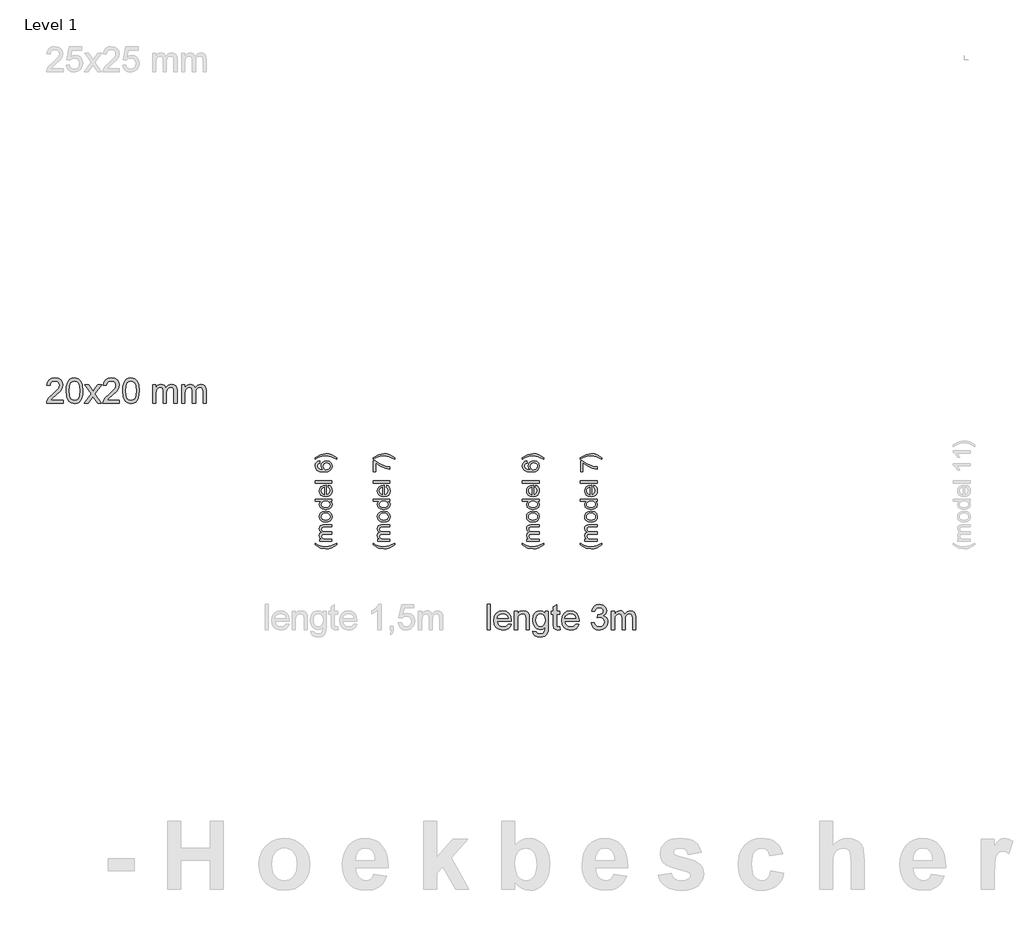
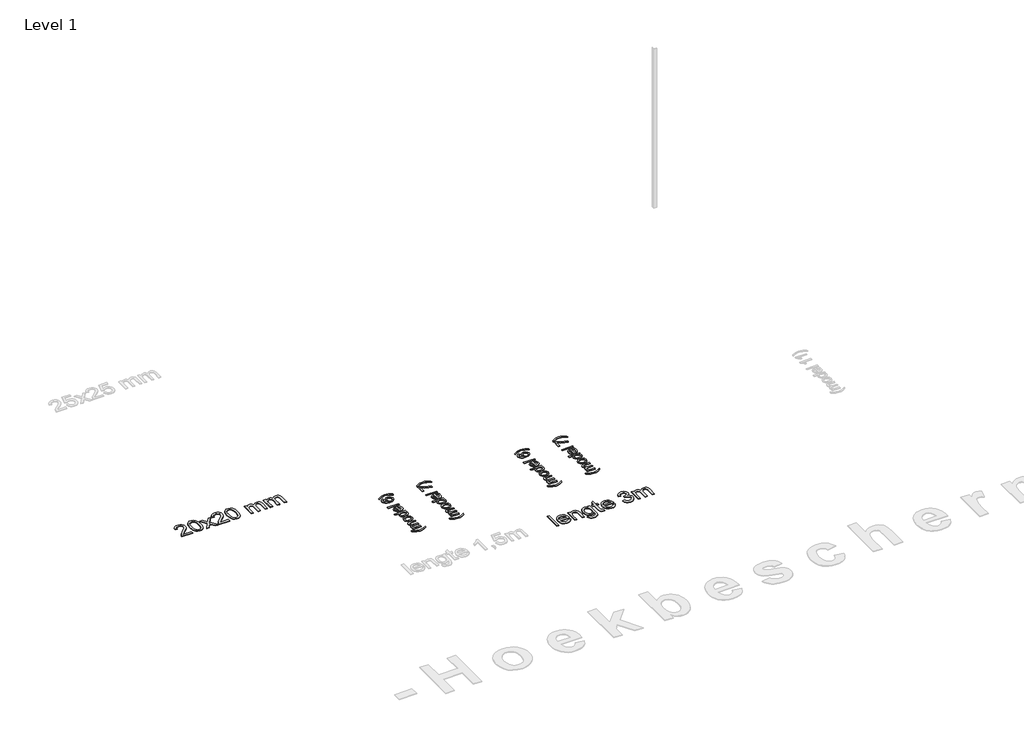
# One storey, part 2 of 5: 6 proxies.
"""IFC4 building model written with IfcOpenShell, lengths in millimetres."""

from ifc_helpers import new_model, si_unit, origin, origin_with_axes, place, context, project, spatial, polyline, outline, extrude, element, save

model = new_model("IFC4")

# Units and contexts
model_context = context("Model", 3, world=origin())
ifc_project = project(units=[si_unit("LENGTHUNIT", "METRE", prefix="MILLI")], contexts=[model_context])

# Site, building, storey
site = spatial("IfcSite", under=ifc_project)
building = spatial("IfcBuilding", under=site)
storey = spatial("IfcBuildingStorey", under=building, Name="Level 1", Elevation=0.0)

# Proxies
placement = place(None, origin())
element("IfcBuildingElementProxy", 1, Name="100mm", ObjectType="100mm", at=placement, inside=storey, context=model_context, shape_type="SweptSolid", body=[
    extrude(outline(polyline([(-2624.0515746, -14670.2632364), (-2652.9217669, -14687.7391979), (-2669.7607092, -14693.0937652), (-2687.2006131, -14694.878621), (-2717.1284977, -14689.5420825), (-2750.2054208, -14670.2632364), (-2750.2054208, -14661.0324671), (-2730.7102284, -14672.5468902), (-2711.8159977, -14679.4699671), (-2687.1284977, -14682.5709287), (-2655.5780169, -14677.1863133), (-2624.0515746, -14661.0324671), (-2624.0515746, -14670.2632364)])), origin_with_axes(), (0.0, 0.0, 1.0), 5.0),
    extrude(outline(polyline([(-2651.7438823, -14648.7247748), (-2724.0515746, -14648.7247748), (-2724.0515746, -14636.4170825), (-2712.1525361, -14636.4170825), (-2721.9001323, -14627.955544), (-2725.5900361, -14615.9122748), (-2721.8280169, -14603.580544), (-2711.2871515, -14596.8016979), (-2722.014315, -14587.1983325), (-2725.5900361, -14575.0709287), (-2724.1026563, -14565.8191258), (-2719.6405169, -14558.9771787), (-2712.0834256, -14554.7494142), (-2701.31119, -14553.3401594), (-2651.7438823, -14553.3401594), (-2651.7438823, -14565.6478517), (-2696.0227284, -14565.6478517), (-2706.2991708, -14566.7896787), (-2711.3592669, -14570.924294), (-2713.2823438, -14577.955544), (-2708.3544592, -14590.0589094), (-2692.56119, -14594.878621), (-2651.7438823, -14594.878621), (-2651.7438823, -14607.1863133), (-2697.3929208, -14607.1863133), (-2709.3159977, -14610.034871), (-2713.2823438, -14619.3738133), (-2710.6381131, -14628.4843902), (-2702.8977284, -14634.5420825), (-2688.2102284, -14636.4170825), (-2651.7438823, -14636.4170825), (-2651.7438823, -14648.7247748)])), origin_with_axes(), (0.0, 0.0, 1.0), 5.0),
    extrude(outline(polyline([(-2687.8977284, -14537.955544), (-2705.3316227, -14535.2932844), (-2717.5852284, -14527.3065056), (-2723.5888342, -14517.4387171), (-2725.5900361, -14505.6238133), (-2723.1531371, -14492.6941258), (-2715.84244, -14482.3666017), (-2704.2348679, -14475.59677), (-2688.9073438, -14473.3401594), (-2667.0083054, -14477.330544), (-2654.6164784, -14488.9531402), (-2650.2054208, -14505.6238133), (-2652.6333054, -14518.7097508), (-2659.9169592, -14529.0252556), (-2671.7679208, -14535.7229719), (-2687.8977284, -14537.955544)]), holes=[polyline([(-2687.9217669, -14525.6478517), (-2676.7829448, -14524.2235729), (-2668.8472477, -14519.9507364), (-2664.0966467, -14513.5204479), (-2662.5131131, -14505.6238133), (-2664.1056611, -14497.7632364), (-2668.8833054, -14491.3449671), (-2676.9241708, -14487.0721306), (-2688.3063823, -14485.6478517), (-2699.1206852, -14487.081145), (-2706.9482092, -14491.3810248), (-2711.6988102, -14497.8083085), (-2713.2823438, -14505.6238133), (-2711.7048198, -14513.5204479), (-2706.9722477, -14519.9507364), (-2699.0545794, -14524.2235729), (-2687.9217669, -14525.6478517)])]), origin_with_axes(), (0.0, 0.0, 1.0), 5.0),
    extrude(outline(polyline([(-2651.7438823, -14414.878621), (-2663.3544592, -14414.878621), (-2653.4926804, -14423.0216498), (-2650.2054208, -14434.2776594), (-2654.9650361, -14449.518044), (-2668.2462861, -14460.2872748), (-2687.8256131, -14464.1093902), (-2707.4169592, -14460.5877556), (-2720.9025361, -14450.034871), (-2725.5900361, -14434.3257364), (-2722.2366708, -14422.9795825), (-2713.5227284, -14414.878621), (-2750.2054208, -14414.878621), (-2750.2054208, -14402.5709287), (-2651.7438823, -14402.5709287), (-2651.7438823, -14414.878621)]), holes=[polyline([(-2687.87369, -14451.8016979), (-2676.7408775, -14450.4134767), (-2668.8232092, -14446.2488133), (-2664.0906371, -14440.1971306), (-2662.5131131, -14433.1478517), (-2664.0185217, -14426.1015777), (-2668.5347477, -14420.2031402), (-2676.1459256, -14416.2097508), (-2686.93619, -14414.878621), (-2698.733065, -14416.2337892), (-2706.9121515, -14420.299294), (-2711.6897958, -14426.3479719), (-2713.2823438, -14433.6526594), (-2711.7528967, -14440.7740537), (-2707.1645554, -14446.6093902), (-2699.2829448, -14450.503621), (-2687.87369, -14451.8016979)])]), origin_with_axes(), (0.0, 0.0, 1.0), 5.0),
    extrude(outline(polyline([(-2673.2823438, -14333.4843902), (-2671.7438823, -14321.4170825), (-2662.6513342, -14325.7650392), (-2655.8544592, -14332.7031402), (-2651.6176804, -14342.0751354), (-2650.2054208, -14353.7247748), (-2652.6423198, -14368.1658806), (-2659.9530169, -14379.2776594), (-2671.6627525, -14386.362996), (-2687.2967669, -14388.7247748), (-2703.4566227, -14386.3389575), (-2715.5419592, -14379.1815056), (-2723.0780169, -14368.2199671), (-2725.5900361, -14354.4218902), (-2723.0840265, -14341.0535008), (-2715.5659977, -14330.3714094), (-2703.5046996, -14323.3672027), (-2687.3688823, -14321.0324671), (-2684.0515746, -14321.1045825), (-2684.0515746, -14376.4170825), (-2674.8388342, -14374.2866739), (-2668.0659977, -14369.3377556), (-2662.5131131, -14353.4843902), (-2665.0852284, -14341.4170825), (-2673.2823438, -14333.4843902)]), holes=[polyline([(-2696.3592669, -14376.4170825), (-2696.3592669, -14333.3401594), (-2707.5131131, -14338.268044), (-2711.8400361, -14345.4435248), (-2713.2823438, -14354.4699671), (-2708.6789784, -14369.6262171), (-2696.3592669, -14376.4170825)])]), origin_with_axes(), (0.0, 0.0, 1.0), 5.0),
    extrude(outline(polyline([(-2651.7438823, -14308.7247748), (-2750.2054208, -14308.7247748), (-2750.2054208, -14296.4170825), (-2651.7438823, -14296.4170825), (-2651.7438823, -14308.7247748)])), origin_with_axes(), (0.0, 0.0, 1.0), 5.0),
    extrude(outline(polyline([(-2724.0515746, -14179.4940056), (-2722.5131131, -14191.8016979), (-2732.7775361, -14196.4651594), (-2737.8977284, -14208.7968902), (-2734.9169592, -14219.9026594), (-2723.7270554, -14228.3041017), (-2701.7919592, -14231.8016979), (-2711.6116708, -14220.9483325), (-2714.8208054, -14207.4988133), (-2712.6272958, -14196.128621), (-2706.0467669, -14186.5853517), (-2695.9926804, -14180.112996), (-2683.3784977, -14177.955544), (-2666.3953246, -14182.018044), (-2654.3760938, -14193.1959287), (-2650.2054208, -14209.3257364), (-2652.9698438, -14223.2890777), (-2661.2631131, -14234.409871), (-2675.9025361, -14241.6845104), (-2697.7054208, -14244.1093902), (-2722.2186419, -14241.4170825), (-2738.9794592, -14233.3401594), (-2747.3989304, -14222.3125152), (-2750.2054208, -14208.0276594), (-2748.4686419, -14197.2283806), (-2743.2583054, -14188.580544), (-2734.983065, -14182.5228517), (-2724.0515746, -14179.4940056)]), holes=[polyline([(-2683.5708054, -14231.8016979), (-2672.9097477, -14228.9531402), (-2665.1693631, -14221.3810248), (-2662.5131131, -14210.2872748), (-2663.889315, -14202.1652796), (-2668.0179208, -14195.7800633), (-2674.5083054, -14191.6424431), (-2682.9698438, -14190.2632364), (-2691.091839, -14191.6244142), (-2697.2847477, -14195.7079479), (-2702.5131131, -14210.7920825), (-2697.2847477, -14225.6839094), (-2691.2420794, -14230.2722508), (-2683.5708054, -14231.8016979)])]), origin_with_axes(), (0.0, 0.0, 1.0), 5.0),
    extrude(outline(polyline([(-2624.0515746, -14161.0324671), (-2624.0515746, -14170.2632364), (-2655.5780169, -14154.1093902), (-2687.1284977, -14148.7247748), (-2711.5996515, -14151.8257364), (-2730.5179208, -14158.6766979), (-2750.2054208, -14170.2632364), (-2750.2054208, -14161.0324671), (-2717.1284977, -14141.753621), (-2687.2006131, -14136.4170825), (-2669.7607092, -14138.2109527), (-2652.9217669, -14143.5925633), (-2624.0515746, -14161.0324671)])), origin_with_axes(), (0.0, 0.0, 1.0), 5.0),
])
element("IfcBuildingElementProxy", 2, Name="100mm", ObjectType="100mm", at=placement, inside=storey, context=model_context, shape_type="SweptSolid", body=[
    extrude(outline(polyline([(-2284.0515746, -14670.2632364), (-2312.9217669, -14687.7391979), (-2329.7607092, -14693.0937652), (-2347.2006131, -14694.878621), (-2377.1284977, -14689.5420825), (-2410.2054208, -14670.2632364), (-2410.2054208, -14661.0324671), (-2390.7102284, -14672.5468902), (-2371.8159977, -14679.4699671), (-2347.1284977, -14682.5709287), (-2315.5780169, -14677.1863133), (-2284.0515746, -14661.0324671), (-2284.0515746, -14670.2632364)])), origin_with_axes(), (0.0, 0.0, 1.0), 5.0),
    extrude(outline(polyline([(-2311.7438823, -14648.7247748), (-2384.0515746, -14648.7247748), (-2384.0515746, -14636.4170825), (-2372.1525361, -14636.4170825), (-2381.9001323, -14627.955544), (-2385.5900361, -14615.9122748), (-2381.8280169, -14603.580544), (-2371.2871515, -14596.8016979), (-2382.014315, -14587.1983325), (-2385.5900361, -14575.0709287), (-2384.1026563, -14565.8191258), (-2379.6405169, -14558.9771787), (-2372.0834256, -14554.7494142), (-2361.31119, -14553.3401594), (-2311.7438823, -14553.3401594), (-2311.7438823, -14565.6478517), (-2356.0227284, -14565.6478517), (-2366.2991708, -14566.7896787), (-2371.3592669, -14570.924294), (-2373.2823438, -14577.955544), (-2368.3544592, -14590.0589094), (-2352.56119, -14594.878621), (-2311.7438823, -14594.878621), (-2311.7438823, -14607.1863133), (-2357.3929208, -14607.1863133), (-2369.3159977, -14610.034871), (-2373.2823438, -14619.3738133), (-2370.6381131, -14628.4843902), (-2362.8977284, -14634.5420825), (-2348.2102284, -14636.4170825), (-2311.7438823, -14636.4170825), (-2311.7438823, -14648.7247748)])), origin_with_axes(), (0.0, 0.0, 1.0), 5.0),
    extrude(outline(polyline([(-2347.8977284, -14537.955544), (-2365.3316227, -14535.2932844), (-2377.5852284, -14527.3065056), (-2383.5888342, -14517.4387171), (-2385.5900361, -14505.6238133), (-2383.1531371, -14492.6941258), (-2375.84244, -14482.3666017), (-2364.2348679, -14475.59677), (-2348.9073438, -14473.3401594), (-2327.0083054, -14477.330544), (-2314.6164784, -14488.9531402), (-2310.2054208, -14505.6238133), (-2312.6333054, -14518.7097508), (-2319.9169592, -14529.0252556), (-2331.7679208, -14535.7229719), (-2347.8977284, -14537.955544)]), holes=[polyline([(-2347.9217669, -14525.6478517), (-2336.7829448, -14524.2235729), (-2328.8472477, -14519.9507364), (-2324.0966467, -14513.5204479), (-2322.5131131, -14505.6238133), (-2324.1056611, -14497.7632364), (-2328.8833054, -14491.3449671), (-2336.9241708, -14487.0721306), (-2348.3063823, -14485.6478517), (-2359.1206852, -14487.081145), (-2366.9482092, -14491.3810248), (-2371.6988102, -14497.8083085), (-2373.2823438, -14505.6238133), (-2371.7048198, -14513.5204479), (-2366.9722477, -14519.9507364), (-2359.0545794, -14524.2235729), (-2347.9217669, -14525.6478517)])]), origin_with_axes(), (0.0, 0.0, 1.0), 5.0),
    extrude(outline(polyline([(-2311.7438823, -14414.878621), (-2323.3544592, -14414.878621), (-2313.4926804, -14423.0216498), (-2310.2054208, -14434.2776594), (-2314.9650361, -14449.518044), (-2328.2462861, -14460.2872748), (-2347.8256131, -14464.1093902), (-2367.4169592, -14460.5877556), (-2380.9025361, -14450.034871), (-2385.5900361, -14434.3257364), (-2382.2366708, -14422.9795825), (-2373.5227284, -14414.878621), (-2410.2054208, -14414.878621), (-2410.2054208, -14402.5709287), (-2311.7438823, -14402.5709287), (-2311.7438823, -14414.878621)]), holes=[polyline([(-2347.87369, -14451.8016979), (-2336.7408775, -14450.4134767), (-2328.8232092, -14446.2488133), (-2324.0906371, -14440.1971306), (-2322.5131131, -14433.1478517), (-2324.0185217, -14426.1015777), (-2328.5347477, -14420.2031402), (-2336.1459256, -14416.2097508), (-2346.93619, -14414.878621), (-2358.733065, -14416.2337892), (-2366.9121515, -14420.299294), (-2371.6897958, -14426.3479719), (-2373.2823438, -14433.6526594), (-2371.7528967, -14440.7740537), (-2367.1645554, -14446.6093902), (-2359.2829448, -14450.503621), (-2347.87369, -14451.8016979)])]), origin_with_axes(), (0.0, 0.0, 1.0), 5.0),
    extrude(outline(polyline([(-2333.2823438, -14333.4843902), (-2331.7438823, -14321.4170825), (-2322.6513342, -14325.7650392), (-2315.8544592, -14332.7031402), (-2311.6176804, -14342.0751354), (-2310.2054208, -14353.7247748), (-2312.6423198, -14368.1658806), (-2319.9530169, -14379.2776594), (-2331.6627525, -14386.362996), (-2347.2967669, -14388.7247748), (-2363.4566227, -14386.3389575), (-2375.5419592, -14379.1815056), (-2383.0780169, -14368.2199671), (-2385.5900361, -14354.4218902), (-2383.0840265, -14341.0535008), (-2375.5659977, -14330.3714094), (-2363.5046996, -14323.3672027), (-2347.3688823, -14321.0324671), (-2344.0515746, -14321.1045825), (-2344.0515746, -14376.4170825), (-2334.8388342, -14374.2866739), (-2328.0659977, -14369.3377556), (-2322.5131131, -14353.4843902), (-2325.0852284, -14341.4170825), (-2333.2823438, -14333.4843902)]), holes=[polyline([(-2356.3592669, -14376.4170825), (-2356.3592669, -14333.3401594), (-2367.5131131, -14338.268044), (-2371.8400361, -14345.4435248), (-2373.2823438, -14354.4699671), (-2368.6789784, -14369.6262171), (-2356.3592669, -14376.4170825)])]), origin_with_axes(), (0.0, 0.0, 1.0), 5.0),
    extrude(outline(polyline([(-2311.7438823, -14308.7247748), (-2410.2054208, -14308.7247748), (-2410.2054208, -14296.4170825), (-2311.7438823, -14296.4170825), (-2311.7438823, -14308.7247748)])), origin_with_axes(), (0.0, 0.0, 1.0), 5.0),
    extrude(outline(polyline([(-2396.3592669, -14242.5709287), (-2408.6669592, -14242.5709287), (-2408.6669592, -14177.955544), (-2398.7150361, -14177.955544), (-2372.2366708, -14196.284871), (-2338.49869, -14210.3113133), (-2311.7438823, -14214.878621), (-2311.7438823, -14227.1863133), (-2339.5083054, -14222.2944864), (-2370.8905169, -14208.8690056), (-2396.3592669, -14190.2632364), (-2396.3592669, -14242.5709287)])), origin_with_axes(), (0.0, 0.0, 1.0), 5.0),
    extrude(outline(polyline([(-2284.0515746, -14161.0324671), (-2284.0515746, -14170.2632364), (-2315.5780169, -14154.1093902), (-2347.1284977, -14148.7247748), (-2371.5996515, -14151.8257364), (-2390.5179208, -14158.6766979), (-2410.2054208, -14170.2632364), (-2410.2054208, -14161.0324671), (-2377.1284977, -14141.753621), (-2347.2006131, -14136.4170825), (-2329.7607092, -14138.2109527), (-2312.9217669, -14143.5925633), (-2284.0515746, -14161.0324671)])), origin_with_axes(), (0.0, 0.0, 1.0), 5.0),
])
element("IfcBuildingElementProxy", 3, Name="100mm", ObjectType="100mm", at=placement, inside=storey, context=model_context, shape_type="SweptSolid", body=[
    extrude(outline(polyline([(-1410.7911627, -14670.2632364), (-1439.661355, -14687.7391979), (-1456.5002974, -14693.0937652), (-1473.9402012, -14694.878621), (-1503.8680858, -14689.5420825), (-1536.9450089, -14670.2632364), (-1536.9450089, -14661.0324671), (-1517.4498166, -14672.5468902), (-1498.5555858, -14679.4699671), (-1473.8680858, -14682.5709287), (-1442.317605, -14677.1863133), (-1410.7911627, -14661.0324671), (-1410.7911627, -14670.2632364)])), origin_with_axes(), (0.0, 0.0, 1.0), 5.0),
    extrude(outline(polyline([(-1438.4834704, -14648.7247748), (-1510.7911627, -14648.7247748), (-1510.7911627, -14636.4170825), (-1498.8921243, -14636.4170825), (-1508.6397204, -14627.955544), (-1512.3296243, -14615.9122748), (-1508.567605, -14603.580544), (-1498.0267397, -14596.8016979), (-1508.7539031, -14587.1983325), (-1512.3296243, -14575.0709287), (-1510.8422445, -14565.8191258), (-1506.380105, -14558.9771787), (-1498.8230137, -14554.7494142), (-1488.0507781, -14553.3401594), (-1438.4834704, -14553.3401594), (-1438.4834704, -14565.6478517), (-1482.7623166, -14565.6478517), (-1493.0387589, -14566.7896787), (-1498.098855, -14570.924294), (-1500.021932, -14577.955544), (-1495.0940474, -14590.0589094), (-1479.3007781, -14594.878621), (-1438.4834704, -14594.878621), (-1438.4834704, -14607.1863133), (-1484.1325089, -14607.1863133), (-1496.0555858, -14610.034871), (-1500.021932, -14619.3738133), (-1497.3777012, -14628.4843902), (-1489.6373166, -14634.5420825), (-1474.9498166, -14636.4170825), (-1438.4834704, -14636.4170825), (-1438.4834704, -14648.7247748)])), origin_with_axes(), (0.0, 0.0, 1.0), 5.0),
    extrude(outline(polyline([(-1474.6373166, -14537.955544), (-1492.0712108, -14535.2932844), (-1504.3248166, -14527.3065056), (-1510.3284224, -14517.4387171), (-1512.3296243, -14505.6238133), (-1509.8927252, -14492.6941258), (-1502.5820281, -14482.3666017), (-1490.974456, -14475.59677), (-1475.646932, -14473.3401594), (-1453.7478935, -14477.330544), (-1441.3560666, -14488.9531402), (-1436.9450089, -14505.6238133), (-1439.3728935, -14518.7097508), (-1446.6565474, -14529.0252556), (-1458.5075089, -14535.7229719), (-1474.6373166, -14537.955544)]), holes=[polyline([(-1474.661355, -14525.6478517), (-1463.5225329, -14524.2235729), (-1455.5868358, -14519.9507364), (-1450.8362349, -14513.5204479), (-1449.2527012, -14505.6238133), (-1450.8452493, -14497.7632364), (-1455.6228935, -14491.3449671), (-1463.6637589, -14487.0721306), (-1475.0459704, -14485.6478517), (-1485.8602733, -14487.081145), (-1493.6877974, -14491.3810248), (-1498.4383983, -14497.8083085), (-1500.021932, -14505.6238133), (-1498.4444079, -14513.5204479), (-1493.7118358, -14519.9507364), (-1485.7941675, -14524.2235729), (-1474.661355, -14525.6478517)])]), origin_with_axes(), (0.0, 0.0, 1.0), 5.0),
    extrude(outline(polyline([(-1438.4834704, -14414.878621), (-1450.0940474, -14414.878621), (-1440.2322685, -14423.0216498), (-1436.9450089, -14434.2776594), (-1441.7046243, -14449.518044), (-1454.9858743, -14460.2872748), (-1474.5652012, -14464.1093902), (-1494.1565474, -14460.5877556), (-1507.6421243, -14450.034871), (-1512.3296243, -14434.3257364), (-1508.9762589, -14422.9795825), (-1500.2623166, -14414.878621), (-1536.9450089, -14414.878621), (-1536.9450089, -14402.5709287), (-1438.4834704, -14402.5709287), (-1438.4834704, -14414.878621)]), holes=[polyline([(-1474.6132781, -14451.8016979), (-1463.4804656, -14450.4134767), (-1455.5627974, -14446.2488133), (-1450.8302252, -14440.1971306), (-1449.2527012, -14433.1478517), (-1450.7581099, -14426.1015777), (-1455.2743358, -14420.2031402), (-1462.8855137, -14416.2097508), (-1473.6757781, -14414.878621), (-1485.4726531, -14416.2337892), (-1493.6517397, -14420.299294), (-1498.4293839, -14426.3479719), (-1500.021932, -14433.6526594), (-1498.4924849, -14440.7740537), (-1493.9041435, -14446.6093902), (-1486.0225329, -14450.503621), (-1474.6132781, -14451.8016979)])]), origin_with_axes(), (0.0, 0.0, 1.0), 5.0),
    extrude(outline(polyline([(-1460.021932, -14333.4843902), (-1458.4834704, -14321.4170825), (-1449.3909224, -14325.7650392), (-1442.5940474, -14332.7031402), (-1438.3572685, -14342.0751354), (-1436.9450089, -14353.7247748), (-1439.3819079, -14368.1658806), (-1446.692605, -14379.2776594), (-1458.4023406, -14386.362996), (-1474.036355, -14388.7247748), (-1490.1962108, -14386.3389575), (-1502.2815474, -14379.1815056), (-1509.817605, -14368.2199671), (-1512.3296243, -14354.4218902), (-1509.8236147, -14341.0535008), (-1502.3055858, -14330.3714094), (-1490.2442877, -14323.3672027), (-1474.1084704, -14321.0324671), (-1470.7911627, -14321.1045825), (-1470.7911627, -14376.4170825), (-1461.5784224, -14374.2866739), (-1454.8055858, -14369.3377556), (-1449.2527012, -14353.4843902), (-1451.8248166, -14341.4170825), (-1460.021932, -14333.4843902)]), holes=[polyline([(-1483.098855, -14376.4170825), (-1483.098855, -14333.3401594), (-1494.2527012, -14338.268044), (-1498.5796243, -14345.4435248), (-1500.021932, -14354.4699671), (-1495.4185666, -14369.6262171), (-1483.098855, -14376.4170825)])]), origin_with_axes(), (0.0, 0.0, 1.0), 5.0),
    extrude(outline(polyline([(-1438.4834704, -14308.7247748), (-1536.9450089, -14308.7247748), (-1536.9450089, -14296.4170825), (-1438.4834704, -14296.4170825), (-1438.4834704, -14308.7247748)])), origin_with_axes(), (0.0, 0.0, 1.0), 5.0),
    extrude(outline(polyline([(-1510.7911627, -14179.4940056), (-1509.2527012, -14191.8016979), (-1519.5171243, -14196.4651594), (-1524.6373166, -14208.7968902), (-1521.6565474, -14219.9026594), (-1510.4666435, -14228.3041017), (-1488.5315474, -14231.8016979), (-1498.3512589, -14220.9483325), (-1501.5603935, -14207.4988133), (-1499.3668839, -14196.128621), (-1492.786355, -14186.5853517), (-1482.7322685, -14180.112996), (-1470.1180858, -14177.955544), (-1453.1349127, -14182.018044), (-1441.115682, -14193.1959287), (-1436.9450089, -14209.3257364), (-1439.709432, -14223.2890777), (-1448.0027012, -14234.409871), (-1462.6421243, -14241.6845104), (-1484.4450089, -14244.1093902), (-1508.95823, -14241.4170825), (-1525.7190474, -14233.3401594), (-1534.1385185, -14222.3125152), (-1536.9450089, -14208.0276594), (-1535.20823, -14197.2283806), (-1529.9978935, -14188.580544), (-1521.7226531, -14182.5228517), (-1510.7911627, -14179.4940056)]), holes=[polyline([(-1470.3103935, -14231.8016979), (-1459.6493358, -14228.9531402), (-1451.9089512, -14221.3810248), (-1449.2527012, -14210.2872748), (-1450.6289031, -14202.1652796), (-1454.7575089, -14195.7800633), (-1461.2478935, -14191.6424431), (-1469.709432, -14190.2632364), (-1477.8314272, -14191.6244142), (-1484.0243358, -14195.7079479), (-1489.2527012, -14210.7920825), (-1484.0243358, -14225.6839094), (-1477.9816675, -14230.2722508), (-1470.3103935, -14231.8016979)])]), origin_with_axes(), (0.0, 0.0, 1.0), 5.0),
    extrude(outline(polyline([(-1410.7911627, -14161.0324671), (-1410.7911627, -14170.2632364), (-1442.317605, -14154.1093902), (-1473.8680858, -14148.7247748), (-1498.3392397, -14151.8257364), (-1517.2575089, -14158.6766979), (-1536.9450089, -14170.2632364), (-1536.9450089, -14161.0324671), (-1503.8680858, -14141.753621), (-1473.9402012, -14136.4170825), (-1456.5002974, -14138.2109527), (-1439.661355, -14143.5925633), (-1410.7911627, -14161.0324671)])), origin_with_axes(), (0.0, 0.0, 1.0), 5.0),
])
element("IfcBuildingElementProxy", 4, Name="100mm", ObjectType="100mm", at=placement, inside=storey, context=model_context, shape_type="SweptSolid", body=[
    extrude(outline(polyline([(-1070.7911627, -14670.2632364), (-1099.661355, -14687.7391979), (-1116.5002974, -14693.0937652), (-1133.9402012, -14694.878621), (-1163.8680858, -14689.5420825), (-1196.9450089, -14670.2632364), (-1196.9450089, -14661.0324671), (-1177.4498166, -14672.5468902), (-1158.5555858, -14679.4699671), (-1133.8680858, -14682.5709287), (-1102.317605, -14677.1863133), (-1070.7911627, -14661.0324671), (-1070.7911627, -14670.2632364)])), origin_with_axes(), (0.0, 0.0, 1.0), 5.0),
    extrude(outline(polyline([(-1098.4834704, -14648.7247748), (-1170.7911627, -14648.7247748), (-1170.7911627, -14636.4170825), (-1158.8921243, -14636.4170825), (-1168.6397204, -14627.955544), (-1172.3296243, -14615.9122748), (-1168.567605, -14603.580544), (-1158.0267397, -14596.8016979), (-1168.7539031, -14587.1983325), (-1172.3296243, -14575.0709287), (-1170.8422445, -14565.8191258), (-1166.380105, -14558.9771787), (-1158.8230137, -14554.7494142), (-1148.0507781, -14553.3401594), (-1098.4834704, -14553.3401594), (-1098.4834704, -14565.6478517), (-1142.7623166, -14565.6478517), (-1153.0387589, -14566.7896787), (-1158.098855, -14570.924294), (-1160.021932, -14577.955544), (-1155.0940474, -14590.0589094), (-1139.3007781, -14594.878621), (-1098.4834704, -14594.878621), (-1098.4834704, -14607.1863133), (-1144.1325089, -14607.1863133), (-1156.0555858, -14610.034871), (-1160.021932, -14619.3738133), (-1157.3777012, -14628.4843902), (-1149.6373166, -14634.5420825), (-1134.9498166, -14636.4170825), (-1098.4834704, -14636.4170825), (-1098.4834704, -14648.7247748)])), origin_with_axes(), (0.0, 0.0, 1.0), 5.0),
    extrude(outline(polyline([(-1134.6373166, -14537.955544), (-1152.0712108, -14535.2932844), (-1164.3248166, -14527.3065056), (-1170.3284224, -14517.4387171), (-1172.3296243, -14505.6238133), (-1169.8927252, -14492.6941258), (-1162.5820281, -14482.3666017), (-1150.974456, -14475.59677), (-1135.646932, -14473.3401594), (-1113.7478935, -14477.330544), (-1101.3560666, -14488.9531402), (-1096.9450089, -14505.6238133), (-1099.3728935, -14518.7097508), (-1106.6565474, -14529.0252556), (-1118.5075089, -14535.7229719), (-1134.6373166, -14537.955544)]), holes=[polyline([(-1134.661355, -14525.6478517), (-1123.5225329, -14524.2235729), (-1115.5868358, -14519.9507364), (-1110.8362349, -14513.5204479), (-1109.2527012, -14505.6238133), (-1110.8452493, -14497.7632364), (-1115.6228935, -14491.3449671), (-1123.6637589, -14487.0721306), (-1135.0459704, -14485.6478517), (-1145.8602733, -14487.081145), (-1153.6877974, -14491.3810248), (-1158.4383983, -14497.8083085), (-1160.021932, -14505.6238133), (-1158.4444079, -14513.5204479), (-1153.7118358, -14519.9507364), (-1145.7941675, -14524.2235729), (-1134.661355, -14525.6478517)])]), origin_with_axes(), (0.0, 0.0, 1.0), 5.0),
    extrude(outline(polyline([(-1098.4834704, -14414.878621), (-1110.0940474, -14414.878621), (-1100.2322685, -14423.0216498), (-1096.9450089, -14434.2776594), (-1101.7046243, -14449.518044), (-1114.9858743, -14460.2872748), (-1134.5652012, -14464.1093902), (-1154.1565474, -14460.5877556), (-1167.6421243, -14450.034871), (-1172.3296243, -14434.3257364), (-1168.9762589, -14422.9795825), (-1160.2623166, -14414.878621), (-1196.9450089, -14414.878621), (-1196.9450089, -14402.5709287), (-1098.4834704, -14402.5709287), (-1098.4834704, -14414.878621)]), holes=[polyline([(-1134.6132781, -14451.8016979), (-1123.4804656, -14450.4134767), (-1115.5627974, -14446.2488133), (-1110.8302252, -14440.1971306), (-1109.2527012, -14433.1478517), (-1110.7581099, -14426.1015777), (-1115.2743358, -14420.2031402), (-1122.8855137, -14416.2097508), (-1133.6757781, -14414.878621), (-1145.4726531, -14416.2337892), (-1153.6517397, -14420.299294), (-1158.4293839, -14426.3479719), (-1160.021932, -14433.6526594), (-1158.4924849, -14440.7740537), (-1153.9041435, -14446.6093902), (-1146.0225329, -14450.503621), (-1134.6132781, -14451.8016979)])]), origin_with_axes(), (0.0, 0.0, 1.0), 5.0),
    extrude(outline(polyline([(-1120.021932, -14333.4843902), (-1118.4834704, -14321.4170825), (-1109.3909224, -14325.7650392), (-1102.5940474, -14332.7031402), (-1098.3572685, -14342.0751354), (-1096.9450089, -14353.7247748), (-1099.3819079, -14368.1658806), (-1106.692605, -14379.2776594), (-1118.4023406, -14386.362996), (-1134.036355, -14388.7247748), (-1150.1962108, -14386.3389575), (-1162.2815474, -14379.1815056), (-1169.817605, -14368.2199671), (-1172.3296243, -14354.4218902), (-1169.8236147, -14341.0535008), (-1162.3055858, -14330.3714094), (-1150.2442877, -14323.3672027), (-1134.1084704, -14321.0324671), (-1130.7911627, -14321.1045825), (-1130.7911627, -14376.4170825), (-1121.5784224, -14374.2866739), (-1114.8055858, -14369.3377556), (-1109.2527012, -14353.4843902), (-1111.8248166, -14341.4170825), (-1120.021932, -14333.4843902)]), holes=[polyline([(-1143.098855, -14376.4170825), (-1143.098855, -14333.3401594), (-1154.2527012, -14338.268044), (-1158.5796243, -14345.4435248), (-1160.021932, -14354.4699671), (-1155.4185666, -14369.6262171), (-1143.098855, -14376.4170825)])]), origin_with_axes(), (0.0, 0.0, 1.0), 5.0),
    extrude(outline(polyline([(-1098.4834704, -14308.7247748), (-1196.9450089, -14308.7247748), (-1196.9450089, -14296.4170825), (-1098.4834704, -14296.4170825), (-1098.4834704, -14308.7247748)])), origin_with_axes(), (0.0, 0.0, 1.0), 5.0),
    extrude(outline(polyline([(-1183.098855, -14242.5709287), (-1195.4065474, -14242.5709287), (-1195.4065474, -14177.955544), (-1185.4546243, -14177.955544), (-1158.9762589, -14196.284871), (-1125.2382781, -14210.3113133), (-1098.4834704, -14214.878621), (-1098.4834704, -14227.1863133), (-1126.2478935, -14222.2944864), (-1157.630105, -14208.8690056), (-1183.098855, -14190.2632364), (-1183.098855, -14242.5709287)])), origin_with_axes(), (0.0, 0.0, 1.0), 5.0),
    extrude(outline(polyline([(-1070.7911627, -14161.0324671), (-1070.7911627, -14170.2632364), (-1102.317605, -14154.1093902), (-1133.8680858, -14148.7247748), (-1158.3392397, -14151.8257364), (-1177.2575089, -14158.6766979), (-1196.9450089, -14170.2632364), (-1196.9450089, -14161.0324671), (-1163.8680858, -14141.753621), (-1133.9402012, -14136.4170825), (-1116.5002974, -14138.2109527), (-1099.661355, -14143.5925633), (-1070.7911627, -14161.0324671)])), origin_with_axes(), (0.0, 0.0, 1.0), 5.0),
])
element("IfcBuildingElementProxy", 5, Name="150mm", ObjectType="150mm", at=placement, inside=storey, context=model_context, shape_type="SweptSolid", body=[
    extrude(outline(polyline([(-1742.6433799, -15166.826994), (-1742.6433799, -15019.1346863), (-1724.1818414, -15019.1346863), (-1724.1818414, -15166.826994), (-1742.6433799, -15166.826994)])), origin_with_axes(), (0.0, 0.0, 1.0), 5.0),
    extrude(outline(polyline([(-1620.5520337, -15134.5193017), (-1602.4510722, -15136.826994), (-1608.9730073, -15150.4658161), (-1619.3801587, -15160.6611286), (-1633.4381515, -15167.0162968), (-1650.9126106, -15169.1346863), (-1672.5742693, -15165.4793377), (-1689.2419376, -15154.513292), (-1699.8699424, -15136.9486887), (-1703.4126106, -15113.497667), (-1699.8338847, -15089.2578834), (-1689.0977068, -15071.1298786), (-1672.6553991, -15059.825792), (-1651.9582837, -15056.0577632), (-1631.9056996, -15059.8167776), (-1615.8825626, -15071.0938209), (-1605.3762525, -15089.185768), (-1601.8741491, -15113.389494), (-1601.9823222, -15118.3654555), (-1684.9510722, -15118.3654555), (-1681.7554592, -15132.1845661), (-1674.3320818, -15142.3438209), (-1663.61844, -15148.5908161), (-1650.5520337, -15150.6731478), (-1632.4510722, -15146.8149747), (-1620.5520337, -15134.5193017)]), holes=[polyline([(-1684.9510722, -15099.903917), (-1620.3356876, -15099.903917), (-1622.8326828, -15090.1503113), (-1627.7275145, -15083.1731478), (-1638.4907356, -15076.6827632), (-1652.0303991, -15074.5193017), (-1664.4748102, -15076.2455637), (-1674.7647741, -15081.4243497), (-1681.9177188, -15089.4967656), (-1684.9510722, -15099.903917)])]), origin_with_axes(), (0.0, 0.0, 1.0), 5.0),
    extrude(outline(polyline([(-1583.4126106, -15166.826994), (-1583.4126106, -15058.3654555), (-1564.9510722, -15058.3654555), (-1564.9510722, -15073.5096863), (-1550.8344856, -15060.420744), (-1531.5616491, -15056.0577632), (-1514.1277549, -15059.5733882), (-1502.2287164, -15068.8041574), (-1496.6938606, -15082.3798786), (-1495.7203029, -15100.2284363), (-1495.7203029, -15166.826994), (-1514.1818414, -15166.826994), (-1514.1818414, -15102.716417), (-1516.3092453, -15086.3822824), (-1523.8272741, -15077.7464651), (-1536.5015529, -15074.5193017), (-1547.3143534, -15076.3312007), (-1556.531601, -15081.7668978), (-1562.8462044, -15092.2687007), (-1564.9510722, -15109.278917), (-1564.9510722, -15166.826994), (-1583.4126106, -15166.826994)])), origin_with_axes(), (0.0, 0.0, 1.0), 5.0),
    extrude(outline(polyline([(-1474.9510722, -15176.0577632), (-1456.4895337, -15178.3654555), (-1450.5039568, -15188.1010324), (-1432.5832837, -15192.2116093), (-1413.6890529, -15187.560167), (-1404.6746299, -15174.5072824), (-1403.4126106, -15152.9808401), (-1416.4114087, -15163.3654555), (-1432.2587645, -15166.826994), (-1451.2927188, -15162.7975468), (-1465.4859279, -15150.7092055), (-1474.3155554, -15132.9868497), (-1477.2587645, -15112.0553593), (-1471.9763126, -15083.4435805), (-1465.5129712, -15071.8284964), (-1456.687851, -15063.1971863), (-1445.8029352, -15057.842619), (-1433.1602068, -15056.0577632), (-1416.6908558, -15060.0962247), (-1403.4126106, -15072.2116093), (-1403.4126106, -15058.3654555), (-1384.9510722, -15058.3654555), (-1384.9510722, -15152.0072824), (-1386.2130914, -15173.6283762), (-1389.9991491, -15187.8666574), (-1396.5210842, -15197.3092656), (-1405.9907356, -15204.5433401), (-1418.2007717, -15209.1406959), (-1432.9438606, -15210.6731478), (-1450.1208438, -15208.5141935), (-1463.6469856, -15202.0373305), (-1472.3233679, -15191.22453), (-1474.9510722, -15176.0577632)]), holes=[polyline([(-1458.797226, -15110.7933401), (-1456.8275746, -15127.7269339), (-1450.9186203, -15139.3690613), (-1442.0349063, -15146.1163569), (-1431.140976, -15148.3654555), (-1420.3281755, -15146.1298786), (-1411.3993895, -15139.4231478), (-1405.4093054, -15127.9297584), (-1403.4126106, -15111.3342055), (-1405.4678991, -15095.3290973), (-1411.6337645, -15083.8041574), (-1420.6932597, -15076.8405156), (-1431.4294376, -15074.5193017), (-1441.9718054, -15076.8044579), (-1450.8104472, -15083.6599267), (-1456.8005313, -15095.0135925), (-1458.797226, -15110.7933401)])]), origin_with_axes(), (0.0, 0.0, 1.0), 5.0),
    extrude(outline(polyline([(-1318.0279953, -15151.4303593), (-1315.7203029, -15167.3678593), (-1329.5303991, -15169.1346863), (-1344.9991491, -15166.0697824), (-1352.7154953, -15158.028917), (-1354.9510722, -15137.0793978), (-1354.9510722, -15076.826994), (-1368.797226, -15076.826994), (-1368.797226, -15058.3654555), (-1354.9510722, -15058.3654555), (-1354.9510722, -15032.0072824), (-1336.4895337, -15021.153917), (-1336.4895337, -15058.3654555), (-1318.0279953, -15058.3654555), (-1318.0279953, -15076.826994), (-1336.4895337, -15076.826994), (-1336.4895337, -15136.5385324), (-1335.515976, -15146.0577632), (-1332.3609279, -15149.4291574), (-1326.0688606, -15150.6731478), (-1318.0279953, -15151.4303593)])), origin_with_axes(), (0.0, 0.0, 1.0), 5.0),
    extrude(outline(polyline([(-1223.6289568, -15134.5193017), (-1205.5279953, -15136.826994), (-1212.0499304, -15150.4658161), (-1222.4570818, -15160.6611286), (-1236.5150746, -15167.0162968), (-1253.9895337, -15169.1346863), (-1275.6511924, -15165.4793377), (-1292.3188606, -15154.513292), (-1302.9468654, -15136.9486887), (-1306.4895337, -15113.497667), (-1302.9108078, -15089.2578834), (-1292.1746299, -15071.1298786), (-1275.7323222, -15059.825792), (-1255.0352068, -15056.0577632), (-1234.9826227, -15059.8167776), (-1218.9594856, -15071.0938209), (-1208.4531755, -15089.185768), (-1204.9510722, -15113.389494), (-1205.0592453, -15118.3654555), (-1288.0279953, -15118.3654555), (-1284.8323823, -15132.1845661), (-1277.4090049, -15142.3438209), (-1266.695363, -15148.5908161), (-1253.6289568, -15150.6731478), (-1235.5279953, -15146.8149747), (-1223.6289568, -15134.5193017)]), holes=[polyline([(-1288.0279953, -15099.903917), (-1223.4126106, -15099.903917), (-1225.9096058, -15090.1503113), (-1230.8044376, -15083.1731478), (-1241.5676587, -15076.6827632), (-1255.1073222, -15074.5193017), (-1267.5517332, -15076.2455637), (-1277.8416972, -15081.4243497), (-1284.9946419, -15089.4967656), (-1288.0279953, -15099.903917)])]), origin_with_axes(), (0.0, 0.0, 1.0), 5.0),
    extrude(outline(polyline([(-1133.4126106, -15127.5962247), (-1114.9510722, -15125.2885324), (-1110.8179592, -15136.8900949), (-1104.7647741, -15144.7236286), (-1096.4940409, -15149.185768), (-1085.7082837, -15150.6731478), (-1073.0520337, -15148.6268738), (-1063.2803991, -15142.4880517), (-1057.0334039, -15133.3293978), (-1054.9510722, -15122.2236286), (-1057.0153751, -15111.6812608), (-1063.2082837, -15103.1310805), (-1072.5832837, -15097.4655156), (-1084.1938606, -15095.576994), (-1097.1385722, -15097.5962247), (-1095.0832837, -15079.1346863), (-1092.1265529, -15079.3510324), (-1071.1770337, -15074.0505517), (-1064.1998703, -15067.325792), (-1061.8741491, -15057.7524747), (-1063.5598462, -15049.7792175), (-1068.6169376, -15043.311369), (-1076.3332837, -15039.0250108), (-1085.9967453, -15037.5962247), (-1095.6782356, -15039.0385324), (-1103.5928991, -15043.3654555), (-1109.3711443, -15050.576994), (-1112.6433799, -15060.6731478), (-1131.1049183, -15058.3654555), (-1125.6692212, -15041.7879315), (-1115.9967453, -15029.4111286), (-1102.7635722, -15021.7037968), (-1086.6457837, -15019.1346863), (-1064.3801587, -15024.200792), (-1048.8032356, -15038.0469459), (-1043.4126106, -15056.670744), (-1048.5328029, -15073.6899747), (-1063.6770337, -15085.9135324), (-1052.1205433, -15090.5830036), (-1043.5568414, -15098.5337247), (-1038.2563606, -15109.3330036), (-1036.4895337, -15122.5481478), (-1040.0231876, -15140.5409363), (-1050.6241491, -15155.576994), (-1066.6247501, -15165.7452632), (-1086.3573222, -15169.1346863), (-1104.2058799, -15166.2410565), (-1118.7371299, -15157.560167), (-1128.8422981, -15144.2819218), (-1133.4126106, -15127.5962247)])), origin_with_axes(), (0.0, 0.0, 1.0), 5.0),
    extrude(outline(polyline([(-1015.7203029, -15166.826994), (-1015.7203029, -15058.3654555), (-997.2587645, -15058.3654555), (-997.2587645, -15076.2140132), (-984.5664568, -15061.592619), (-966.5015529, -15056.0577632), (-956.2341251, -15057.4685204), (-948.0039568, -15061.700792), (-937.8356876, -15077.5120901), (-923.4306395, -15061.4213449), (-905.2395337, -15056.0577632), (-891.3618294, -15058.2888329), (-881.0989087, -15064.982042), (-874.7572621, -15076.3176791), (-872.6433799, -15092.4760324), (-872.6433799, -15166.826994), (-891.1049183, -15166.826994), (-891.1049183, -15100.4087247), (-892.8176587, -15084.9940613), (-899.0195818, -15077.403917), (-909.5664568, -15074.5193017), (-919.5679592, -15076.3672584), (-927.7215049, -15081.9111286), (-933.1436804, -15091.529518), (-934.9510722, -15105.6010324), (-934.9510722, -15166.826994), (-953.4126106, -15166.826994), (-953.4126106, -15098.3534363), (-957.6854472, -15080.4688209), (-963.3239688, -15076.0066815), (-971.6938606, -15074.5193017), (-985.359726, -15078.4856478), (-994.4462645, -15090.0962247), (-997.2587645, -15112.1274747), (-997.2587645, -15166.826994), (-1015.7203029, -15166.826994)])), origin_with_axes(), (0.0, 0.0, 1.0), 5.0),
])
element("IfcBuildingElementProxy", 6, Name="150mm", ObjectType="150mm", at=placement, inside=storey, context=model_context, shape_type="SweptSolid", body=[
    extrude(outline(polyline([(-4225.1165419, -13822.8364055), (-4225.1165419, -13841.2979439), (-4322.0396188, -13841.2979439), (-4320.0564458, -13828.5695785), (-4308.8425035, -13808.9722228), (-4285.7295227, -13787.5719824), (-4253.8545227, -13756.8147708), (-4247.8779602, -13746.2138093), (-4245.8857727, -13735.9013093), (-4247.7652799, -13726.6570184), (-4253.4038015, -13718.9722228), (-4262.0711693, -13713.7934367), (-4273.037215, -13712.0671747), (-4284.5531405, -13713.7528718), (-4293.4999554, -13718.8099632), (-4299.2736934, -13726.8418141), (-4301.2703881, -13737.4517901), (-4319.7319265, -13735.1440978), (-4315.2562655, -13717.2865257), (-4305.5792823, -13704.2426555), (-4291.2057847, -13696.264891), (-4272.6405804, -13693.6056362), (-4253.9401597, -13696.562367), (-4239.5937054, -13705.4325593), (-4230.466602, -13718.6837612), (-4227.4242342, -13734.7835208), (-4230.7054842, -13752.2895305), (-4241.6129361, -13770.390492), (-4268.0612535, -13795.6849632), (-4289.2992342, -13813.4433766), (-4297.6285611, -13822.8364055), (-4225.1165419, -13822.8364055)])), origin_with_axes(), (0.0, 0.0, 1.0), 5.0),
    extrude(outline(polyline([(-4206.6550035, -13768.6416939), (-4205.2983328, -13745.0013694), (-4201.2283208, -13726.1477035), (-4194.4855323, -13711.7922348), (-4185.1105323, -13701.6465016), (-4173.0357126, -13695.6158526), (-4158.193465, -13693.6056362), (-4136.630965, -13698.3652516), (-4121.7391381, -13712.0852035), (-4113.0852919, -13733.9361651), (-4109.7319265, -13768.6416939), (-4111.0750756, -13792.1468021), (-4115.1045227, -13810.9553958), (-4121.8067462, -13825.3243862), (-4131.1682246, -13835.5106843), (-4143.2700876, -13841.5818983), (-4158.193465, -13843.6056362), (-4177.3761573, -13840.0900112), (-4191.943465, -13829.5431362), (-4202.9771188, -13804.5641699), (-4206.6550035, -13768.6416939)]), holes=[polyline([(-4188.193465, -13768.6056362), (-4186.0300035, -13797.6456002), (-4179.5396188, -13814.452992), (-4169.8761573, -13822.4713213), (-4158.193465, -13825.1440978), (-4146.5107727, -13822.4623069), (-4136.8473111, -13814.4169343), (-4130.3569265, -13797.6005281), (-4128.193465, -13768.6056362), (-4130.2848111, -13740.219218), (-4136.5588496, -13723.281117), (-4146.2042823, -13714.8706603), (-4158.4098111, -13712.0671747), (-4169.9663015, -13714.5371266), (-4179.2511573, -13721.9469824), (-4185.9578881, -13739.9397708), (-4188.193465, -13768.6056362)])]), origin_with_axes(), (0.0, 0.0, 1.0), 5.0),
    extrude(outline(polyline([(-4100.5011573, -13841.2979439), (-4061.0540419, -13786.7787132), (-4098.193465, -13732.8364055), (-4075.9819265, -13732.8364055), (-4058.0612535, -13758.7979439), (-4049.6958688, -13771.0575593), (-4042.4482727, -13761.0335208), (-4022.0396188, -13732.8364055), (-3999.8280804, -13732.8364055), (-4038.8425035, -13786.7787132), (-4001.2703881, -13841.2979439), (-4023.4819265, -13841.2979439), (-4046.0900996, -13808.5215016), (-4050.2367342, -13802.5359247), (-4078.2896188, -13841.2979439), (-4100.5011573, -13841.2979439)])), origin_with_axes(), (0.0, 0.0, 1.0), 5.0),
    extrude(outline(polyline([(-3895.1165419, -13822.8364055), (-3895.1165419, -13841.2979439), (-3992.0396188, -13841.2979439), (-3990.0564458, -13828.5695785), (-3978.8425035, -13808.9722228), (-3955.7295227, -13787.5719824), (-3923.8545227, -13756.8147708), (-3917.8779602, -13746.2138093), (-3915.8857727, -13735.9013093), (-3917.7652799, -13726.6570184), (-3923.4038015, -13718.9722228), (-3932.0711693, -13713.7934367), (-3943.037215, -13712.0671747), (-3954.5531405, -13713.7528718), (-3963.4999554, -13718.8099632), (-3969.2736934, -13726.8418141), (-3971.2703881, -13737.4517901), (-3989.7319265, -13735.1440978), (-3985.2562655, -13717.2865257), (-3975.5792823, -13704.2426555), (-3961.2057847, -13696.264891), (-3942.6405804, -13693.6056362), (-3923.9401597, -13696.562367), (-3909.5937054, -13705.4325593), (-3900.466602, -13718.6837612), (-3897.4242342, -13734.7835208), (-3900.7054842, -13752.2895305), (-3911.6129361, -13770.390492), (-3938.0612535, -13795.6849632), (-3959.2992342, -13813.4433766), (-3967.6285611, -13822.8364055), (-3895.1165419, -13822.8364055)])), origin_with_axes(), (0.0, 0.0, 1.0), 5.0),
    extrude(outline(polyline([(-3876.6550035, -13768.6416939), (-3875.2983328, -13745.0013694), (-3871.2283208, -13726.1477035), (-3864.4855323, -13711.7922348), (-3855.1105323, -13701.6465016), (-3843.0357126, -13695.6158526), (-3828.193465, -13693.6056362), (-3806.630965, -13698.3652516), (-3791.7391381, -13712.0852035), (-3783.0852919, -13733.9361651), (-3779.7319265, -13768.6416939), (-3781.0750756, -13792.1468021), (-3785.1045227, -13810.9553958), (-3791.8067462, -13825.3243862), (-3801.1682246, -13835.5106843), (-3813.2700876, -13841.5818983), (-3828.193465, -13843.6056362), (-3847.3761573, -13840.0900112), (-3861.943465, -13829.5431362), (-3872.9771188, -13804.5641699), (-3876.6550035, -13768.6416939)]), holes=[polyline([(-3858.193465, -13768.6056362), (-3856.0300035, -13797.6456002), (-3849.5396188, -13814.452992), (-3839.8761573, -13822.4713213), (-3828.193465, -13825.1440978), (-3816.5107727, -13822.4623069), (-3806.8473111, -13814.4169343), (-3800.3569265, -13797.6005281), (-3798.193465, -13768.6056362), (-3800.2848111, -13740.219218), (-3806.5588496, -13723.281117), (-3816.2042823, -13714.8706603), (-3828.4098111, -13712.0671747), (-3839.9663015, -13714.5371266), (-3849.2511573, -13721.9469824), (-3855.9578881, -13739.9397708), (-3858.193465, -13768.6056362)])]), origin_with_axes(), (0.0, 0.0, 1.0), 5.0),
    extrude(outline(polyline([(-3701.2703881, -13841.2979439), (-3701.2703881, -13732.8364055), (-3682.8088496, -13732.8364055), (-3682.8088496, -13750.6849632), (-3670.1165419, -13736.0635689), (-3652.0516381, -13730.5287132), (-3641.7842102, -13731.9394704), (-3633.5540419, -13736.171742), (-3623.3857727, -13751.9830401), (-3608.9807246, -13735.8922949), (-3590.7896188, -13730.5287132), (-3576.9119145, -13732.7597829), (-3566.6489938, -13739.452992), (-3560.3073472, -13750.788629), (-3558.193465, -13766.9469824), (-3558.193465, -13841.2979439), (-3576.6550035, -13841.2979439), (-3576.6550035, -13774.8796747), (-3578.3677438, -13759.4650112), (-3584.5696669, -13751.874867), (-3595.1165419, -13748.9902516), (-3605.1180443, -13750.8382083), (-3613.27159, -13756.3820785), (-3618.6937655, -13766.000468), (-3620.5011573, -13780.0719824), (-3620.5011573, -13841.2979439), (-3638.9626958, -13841.2979439), (-3638.9626958, -13772.8243862), (-3643.2355323, -13754.9397708), (-3648.8740539, -13750.4776314), (-3657.2439458, -13748.9902516), (-3670.9098111, -13752.9565978), (-3679.9963496, -13764.5671747), (-3682.8088496, -13786.5984247), (-3682.8088496, -13841.2979439), (-3701.2703881, -13841.2979439)])), origin_with_axes(), (0.0, 0.0, 1.0), 5.0),
    extrude(outline(polyline([(-3530.5011573, -13841.2979439), (-3530.5011573, -13732.8364055), (-3512.0396188, -13732.8364055), (-3512.0396188, -13750.6849632), (-3499.3473111, -13736.0635689), (-3481.2824073, -13730.5287132), (-3471.0149794, -13731.9394704), (-3462.7848111, -13736.171742), (-3452.6165419, -13751.9830401), (-3438.2114938, -13735.8922949), (-3420.0203881, -13730.5287132), (-3406.1426837, -13732.7597829), (-3395.8797631, -13739.452992), (-3389.5381164, -13750.788629), (-3387.4242342, -13766.9469824), (-3387.4242342, -13841.2979439), (-3405.8857727, -13841.2979439), (-3405.8857727, -13774.8796747), (-3407.5985131, -13759.4650112), (-3413.8004361, -13751.874867), (-3424.3473111, -13748.9902516), (-3434.3488135, -13750.8382083), (-3442.5023592, -13756.3820785), (-3447.9245347, -13766.000468), (-3449.7319265, -13780.0719824), (-3449.7319265, -13841.2979439), (-3468.193465, -13841.2979439), (-3468.193465, -13772.8243862), (-3472.4663015, -13754.9397708), (-3478.1048232, -13750.4776314), (-3486.474715, -13748.9902516), (-3500.1405804, -13752.9565978), (-3509.2271188, -13764.5671747), (-3512.0396188, -13786.5984247), (-3512.0396188, -13841.2979439), (-3530.5011573, -13841.2979439)])), origin_with_axes(), (0.0, 0.0, 1.0), 5.0),
])

save(model, "model.ifc")
